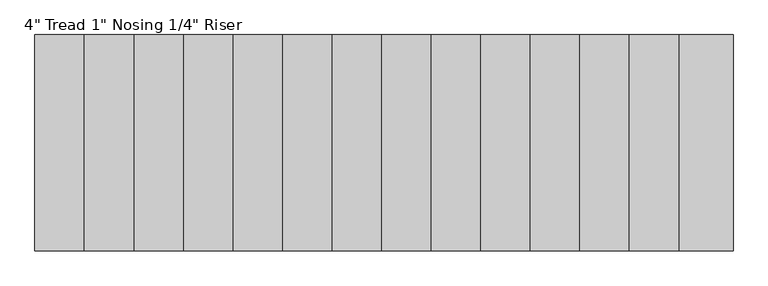
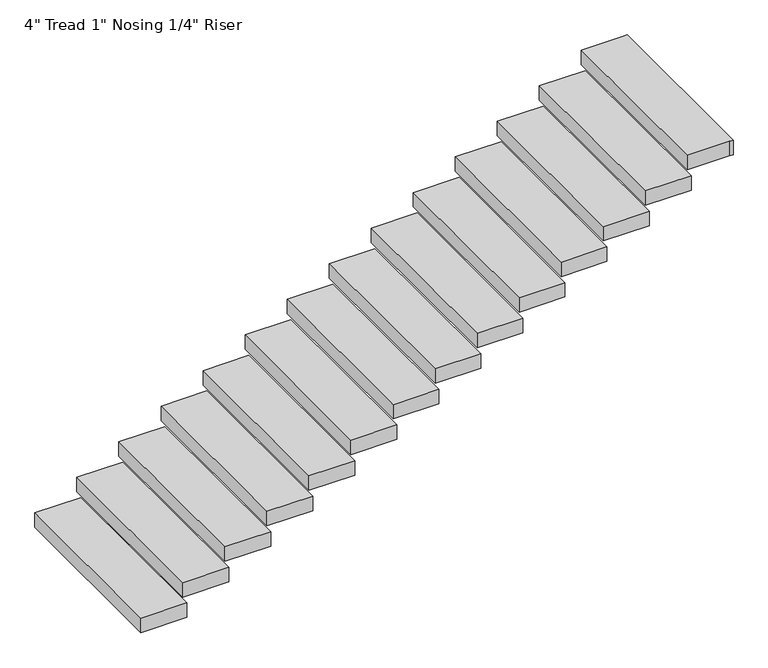
"""IFC4 building model written with IfcOpenShell, lengths in millimetres: stair flight geometry."""

from ifc_helpers import new_model, si_unit, frame, origin, place, context, project, spatial, polyline, outline, extrude, source, transform, mapped, element, save


def stair_flight_0dd58121(model_context):
    return source(origin(), model_context, "Body", "SweptSolid", [
        extrude(outline(polyline([(548.1911339, 3150.3047045), (548.1911339, 1931.1047045), (243.3911339, 1931.1047045), (243.3911339, 3150.3047045), (548.1911339, 3150.3047045)])), frame((0.0, 0.0, -711.2), z_axis=(0.0, 0.0, 1.0), x_axis=(1.0, 0.0, 0.0)), (0.0, 0.0, 1.0), 101.6),
        extrude(outline(polyline([(827.5911339, 3150.3047045), (827.5911339, 1931.1047045), (522.7911339, 1931.1047045), (522.7911339, 3150.3047045), (827.5911339, 3150.3047045)])), frame((0.0, 0.0, -558.8), z_axis=(0.0, 0.0, 1.0), x_axis=(1.0, 0.0, 0.0)), (0.0, 0.0, 1.0), 101.6),
        extrude(outline(polyline([(1106.9911339, 3150.3047045), (1106.9911339, 1931.1047045), (802.1911339, 1931.1047045), (802.1911339, 3150.3047045), (1106.9911339, 3150.3047045)])), frame((0.0, 0.0, -406.4), z_axis=(0.0, 0.0, 1.0), x_axis=(1.0, 0.0, 0.0)), (0.0, 0.0, 1.0), 101.6),
        extrude(outline(polyline([(1386.3911339, 3150.3047045), (1386.3911339, 1931.1047045), (1081.5911339, 1931.1047045), (1081.5911339, 3150.3047045), (1386.3911339, 3150.3047045)])), frame((0.0, 0.0, -254.0), z_axis=(0.0, 0.0, 1.0), x_axis=(1.0, 0.0, 0.0)), (0.0, 0.0, 1.0), 101.6),
        extrude(outline(polyline([(1665.7911339, 3150.3047045), (1665.7911339, 1931.1047045), (1360.9911339, 1931.1047045), (1360.9911339, 3150.3047045), (1665.7911339, 3150.3047045)])), frame((0.0, 0.0, -101.6), z_axis=(0.0, 0.0, 1.0), x_axis=(1.0, 0.0, 0.0)), (0.0, 0.0, 1.0), 101.6),
        extrude(outline(polyline([(1945.1911339, 3150.3047045), (1945.1911339, 1931.1047045), (1640.3911339, 1931.1047045), (1640.3911339, 3150.3047045), (1945.1911339, 3150.3047045)])), frame((0.0, 0.0, 50.8), z_axis=(0.0, 0.0, 1.0), x_axis=(1.0, 0.0, 0.0)), (0.0, 0.0, 1.0), 101.6),
        extrude(outline(polyline([(2224.5911339, 3150.3047045), (2224.5911339, 1931.1047045), (1919.7911339, 1931.1047045), (1919.7911339, 3150.3047045), (2224.5911339, 3150.3047045)])), frame((0.0, 0.0, 203.2), z_axis=(0.0, 0.0, 1.0), x_axis=(1.0, 0.0, 0.0)), (0.0, 0.0, 1.0), 101.6),
        extrude(outline(polyline([(2503.9911339, 3150.3047045), (2503.9911339, 1931.1047045), (2199.1911339, 1931.1047045), (2199.1911339, 3150.3047045), (2503.9911339, 3150.3047045)])), frame((0.0, 0.0, 355.6), z_axis=(0.0, 0.0, 1.0), x_axis=(1.0, 0.0, 0.0)), (0.0, 0.0, 1.0), 101.6),
        extrude(outline(polyline([(2783.3911339, 3150.3047045), (2783.3911339, 1931.1047045), (2478.5911339, 1931.1047045), (2478.5911339, 3150.3047045), (2783.3911339, 3150.3047045)])), frame((0.0, 0.0, 508.0), z_axis=(0.0, 0.0, 1.0), x_axis=(1.0, 0.0, 0.0)), (0.0, 0.0, 1.0), 101.6),
        extrude(outline(polyline([(3062.7911339, 3150.3047045), (3062.7911339, 1931.1047045), (2757.9911339, 1931.1047045), (2757.9911339, 3150.3047045), (3062.7911339, 3150.3047045)])), frame((0.0, 0.0, 660.4), z_axis=(0.0, 0.0, 1.0), x_axis=(1.0, 0.0, 0.0)), (0.0, 0.0, 1.0), 101.6),
        extrude(outline(polyline([(3342.1911339, 3150.3047045), (3342.1911339, 1931.1047045), (3037.3911339, 1931.1047045), (3037.3911339, 3150.3047045), (3342.1911339, 3150.3047045)])), frame((0.0, 0.0, 812.8), z_axis=(0.0, 0.0, 1.0), x_axis=(1.0, 0.0, 0.0)), (0.0, 0.0, 1.0), 101.6),
        extrude(outline(polyline([(3621.5911339, 3150.3047045), (3621.5911339, 1931.1047045), (3316.7911339, 1931.1047045), (3316.7911339, 3150.3047045), (3621.5911339, 3150.3047045)])), frame((0.0, 0.0, 965.2), z_axis=(0.0, 0.0, 1.0), x_axis=(1.0, 0.0, 0.0)), (0.0, 0.0, 1.0), 101.6),
        extrude(outline(polyline([(3900.9911339, 3150.3047045), (3900.9911339, 1931.1047045), (3596.1911339, 1931.1047045), (3596.1911339, 3150.3047045), (3900.9911339, 3150.3047045)])), frame((0.0, 0.0, 1117.6), z_axis=(0.0, 0.0, 1.0), x_axis=(1.0, 0.0, 0.0)), (0.0, 0.0, 1.0), 101.6),
        extrude(outline(polyline([(4180.3911339, 3150.3047045), (4180.3911339, 1931.1047045), (4154.9911339, 1931.1047045), (3875.5911339, 1931.1047045), (3875.5911339, 3150.3047045), (4154.9911339, 3150.3047045), (4180.3911339, 3150.3047045)])), frame((0.0, 0.0, 1270.0), z_axis=(0.0, 0.0, 1.0), x_axis=(1.0, 0.0, 0.0)), (0.0, 0.0, 1.0), 101.6),
    ])


if __name__ == "__main__":
    model = new_model("IFC4")
    model_context = context("Model", 3, world=origin())
    ifc_project = project(units=[si_unit("LENGTHUNIT", "METRE", prefix="MILLI")], contexts=[model_context])
    site = spatial("IfcSite", under=ifc_project)
    building = spatial("IfcBuilding", under=site)
    placement = place(None, origin())
    stair_flight_shape = stair_flight_0dd58121(model_context)
    element("IfcStairFlight", 1, ObjectType="4\" Tread 1\" Nosing 1/4\" Riser", at=placement, inside=building, context=model_context, shape_type="MappedRepresentation", body=[
        mapped(stair_flight_shape, transform((0.0, 0.0, 0.0), x_axis=(1.0, 0.0, 0.0), y_axis=(0.0, 1.0, 0.0), z_axis=(0.0, 0.0, 1.0))),
    ])
    save(model, "model.ifc")
